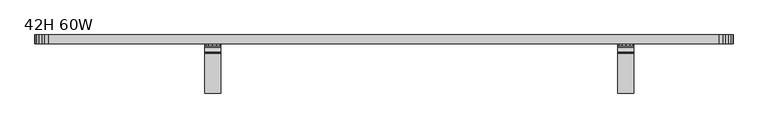
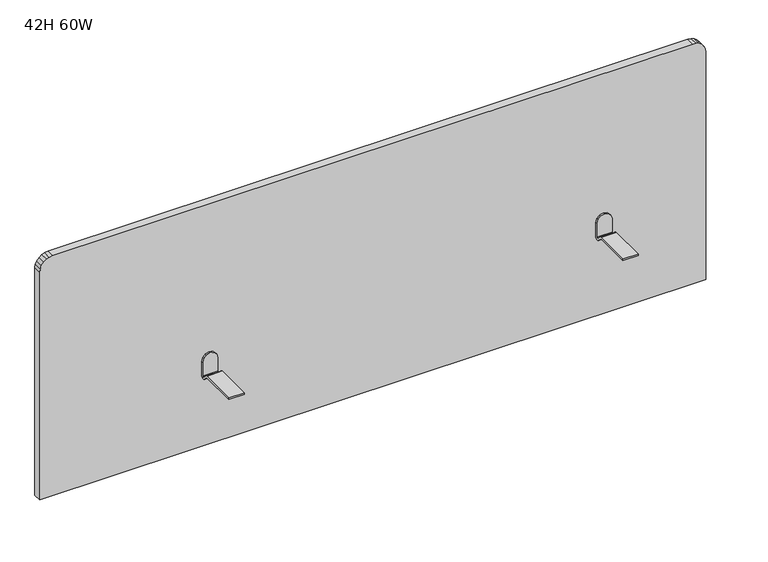
"""IFC4 building model written with IfcOpenShell, lengths in millimetres: furniture geometry, 42H 60W."""

from ifc_helpers import new_model, si_unit, frame, origin, place, context, project, spatial, polyline, outline, extrude, faceted_brep, source, transform, mapped, element, save


def furniture_42h_60w_fcf38a37(model_context):
    return source(origin(), model_context, "Body", "SolidModel", [
        faceted_brep([(1113.9652655, -116.7817253, 666.5974657), (1148.9664539, -116.7817253, 666.5974657), (1148.9664539, -116.7817253, 670.585231), (1113.9652655, -116.7817253, 670.585231), (1148.9664539, -9.5259334, 693.0895987), (1148.9664539, -9.5259334, 661.0950399), (1113.9652655, -9.5259334, 661.0950399), (1113.9652655, -9.5259334, 693.0895987), (1116.3098898, -9.5259334, 701.8399366), (1122.7155671, -9.5259334, 708.2455776), (1131.4658688, -9.5259334, 710.590202), (1140.2161522, -9.5259334, 708.2455776), (1146.6218296, -9.5259334, 701.8399366), (1113.9652655, -31.1421035, 670.585231), (1113.9652655, -29.2320933, 670.2053123), (1113.9652655, -27.6128631, 669.1234016), (1113.9652655, -17.8064236, 659.3169508), (1113.9652655, -15.0660374, 658.7718533), (1113.9652655, -13.5137327, 661.0950399), (1113.9652655, -13.5137327, 693.0895987), (1113.9652655, -10.6217853, 657.4824697), (1113.9652655, -13.5399723, 655.0875578), (1113.9652655, -17.2968889, 654.7175949), (1113.9652655, -20.6262233, 656.4971375), (1113.9652655, -30.7265422, 666.5974657), (1116.3098898, -13.5137327, 701.8399366), (1122.7155671, -13.5137327, 708.2455776), (1131.4658688, -13.5137327, 710.590202), (1140.2161522, -13.5137327, 708.2455776), (1146.6218296, -13.5137327, 701.8399366), (1148.9664539, -13.5137327, 693.0895987), (1148.9664539, -30.7265422, 666.5974657), (1148.9664539, -20.6262233, 656.4971375), (1148.9664539, -17.2968889, 654.7175949), (1148.9664539, -13.5399723, 655.0875578), (1148.9664539, -10.6217853, 657.4824697), (1148.9664539, -13.5137327, 661.0950399), (1148.9664539, -15.0660374, 658.7718533), (1148.9664539, -17.8064236, 659.3169508), (1148.9664539, -27.6128631, 669.1234016), (1148.9664539, -29.2320933, 670.2053123), (1148.9664539, -31.1421035, 670.585231)], [[[0, 1, 2, 3]], [[4, 5, 6, 7, 8, 9, 10, 11, 12]], [[3, 13, 14, 15, 16, 17, 18, 19, 7, 6, 20, 21, 22, 23, 24, 0]], [[7, 19, 25, 8]], [[8, 25, 26, 9]], [[9, 26, 27, 10]], [[10, 27, 28, 11]], [[11, 28, 29, 12]], [[12, 29, 30, 4]], [[1, 31, 32, 33, 34, 35, 5, 4, 30, 36, 37, 38, 39, 40, 41, 2]], [[36, 30, 29, 28, 27, 26, 25, 19, 18]], [[13, 3, 2, 41]], [[41, 40, 14, 13]], [[40, 39, 15, 14]], [[39, 38, 16, 15]], [[38, 37, 17, 16]], [[18, 17, 37, 36]], [[31, 1, 0, 24]], [[20, 6, 5, 35]], [[35, 34, 21, 20]], [[34, 33, 22, 21]], [[33, 32, 23, 22]], [[24, 23, 32, 31]]]),
        faceted_brep([(251.2847345, -116.7817253, 646.2268264), (251.2847345, -116.7817253, 650.2145917), (216.2835461, -116.7817253, 650.2145917), (216.2835461, -116.7817253, 646.2268264), (216.2835461, -9.5259334, 672.7189593), (218.6281704, -9.5259334, 681.4692973), (225.0338478, -9.5259334, 687.8749383), (233.7841312, -9.5259334, 690.2195626), (242.5344329, -9.5259334, 687.8749383), (248.9401102, -9.5259334, 681.4692973), (251.2847345, -9.5259334, 672.7189593), (251.2847345, -9.5259334, 640.7244006), (216.2835461, -9.5259334, 640.7244006), (251.2847345, -30.7265422, 646.2268264), (251.2847345, -20.6262233, 636.1264981), (251.2847345, -17.2968889, 634.3469556), (251.2847345, -13.5399723, 634.7169184), (251.2847345, -10.6217853, 637.1118304), (251.2847345, -13.5137327, 672.7189593), (251.2847345, -13.5137327, 640.7244006), (251.2847345, -15.0660374, 638.4012139), (251.2847345, -17.8064236, 638.9463114), (251.2847345, -27.6128631, 648.7527623), (251.2847345, -29.2320933, 649.834673), (251.2847345, -31.1421035, 650.2145917), (248.9401102, -13.5137327, 681.4692973), (242.5344329, -13.5137327, 687.8749383), (233.7841312, -13.5137327, 690.2195626), (225.0338478, -13.5137327, 687.8749383), (218.6281704, -13.5137327, 681.4692973), (216.2835461, -13.5137327, 672.7189593), (216.2835461, -31.1421035, 650.2145917), (216.2835461, -29.2320933, 649.834673), (216.2835461, -27.6128631, 648.7527623), (216.2835461, -17.8064236, 638.9463114), (216.2835461, -15.0660374, 638.4012139), (216.2835461, -13.5137327, 640.7244006), (216.2835461, -10.6217853, 637.1118304), (216.2835461, -13.5399723, 634.7169184), (216.2835461, -17.2968889, 634.3469556), (216.2835461, -20.6262233, 636.1264981), (216.2835461, -30.7265422, 646.2268264)], [[[0, 1, 2, 3]], [[4, 5, 6, 7, 8, 9, 10, 11, 12]], [[1, 0, 13, 14, 15, 16, 17, 11, 10, 18, 19, 20, 21, 22, 23, 24]], [[10, 9, 25, 18]], [[9, 8, 26, 25]], [[8, 7, 27, 26]], [[7, 6, 28, 27]], [[6, 5, 29, 28]], [[5, 4, 30, 29]], [[3, 2, 31, 32, 33, 34, 35, 36, 30, 4, 12, 37, 38, 39, 40, 41]], [[36, 19, 18, 25, 26, 27, 28, 29, 30]], [[24, 31, 2, 1]], [[31, 24, 23, 32]], [[32, 23, 22, 33]], [[33, 22, 21, 34]], [[34, 21, 20, 35]], [[19, 36, 35, 20]], [[41, 13, 0, 3]], [[17, 37, 12, 11]], [[37, 17, 16, 38]], [[38, 16, 15, 39]], [[39, 15, 14, 40]], [[13, 41, 40, 14]]]),
        extrude(outline(polyline([(468.122, -152.4), (468.122, 1365.1773542), (1016.3335659, 1365.1773542), (1024.5859691, 1363.9415285), (1031.1597685, 1361.2465622), (1038.0360929, 1355.8137543), (1042.7366054, 1349.2225142), (1045.1493942, 1343.2772375), (1046.226, 1335.1686481), (1046.226, -122.4948305), (1045.109353, -130.5501141), (1042.7441631, -136.4957314), (1038.0343488, -143.0596493), (1031.1616579, -148.464154), (1024.5266704, -151.3025146), (1016.3120834, -152.4), (468.122, -152.4)])), frame((0.0, -9.5249194, 0.0), z_axis=(0.0, 1.0, 0.0), x_axis=(0.0, 0.0, 1.0)), (0.0, 0.0, 1.0), 19.0498388),
    ])


if __name__ == "__main__":
    model = new_model("IFC4")
    model_context = context("Model", 3, world=origin())
    ifc_project = project(units=[si_unit("LENGTHUNIT", "METRE", prefix="MILLI")], contexts=[model_context])
    site = spatial("IfcSite", under=ifc_project)
    building = spatial("IfcBuilding", under=site)
    placement = place(None, origin())
    furniture_42h_60w_shape = furniture_42h_60w_fcf38a37(model_context)
    element("IfcFurniture", 1, ObjectType="42H 60W", at=placement, inside=building, context=model_context, shape_type="MappedRepresentation", body=[
        mapped(furniture_42h_60w_shape, transform((0.0, 0.0, 0.0), x_axis=(1.0, 0.0, 0.0), y_axis=(0.0, 1.0, 0.0), z_axis=(0.0, 0.0, 1.0))),
    ])
    save(model, "model.ifc")
